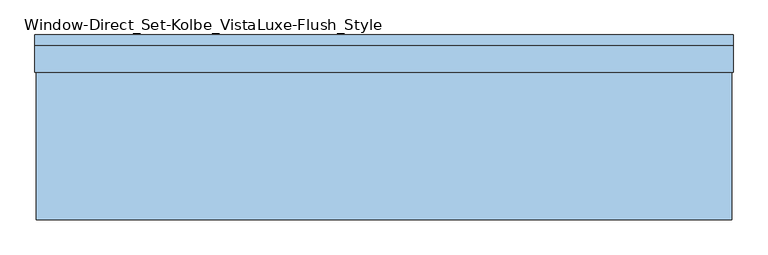
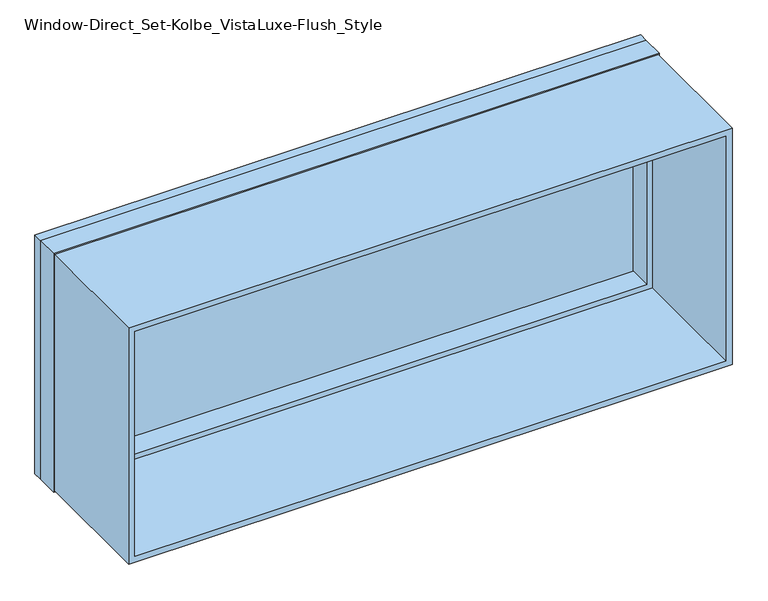
"""IFC4 building model written with IfcOpenShell, lengths in millimetres: window geometry, Window-Direct_Set-Kolbe_VistaLuxe-Flush_Style."""

from ifc_helpers import new_model, si_unit, frame, origin, place, context, project, spatial, polyline, outline, extrude, faceted_brep, source, transform, mapped, element, save


def window_direct_set_kolbe_vistaluxe_flush_style_a1974e63(model_context):
    return source(origin(), model_context, "Body", "SolidModel", [
        extrude(outline(polyline([(1673.225, -917.4003758), (917.575, -917.4003758), (917.575, 905.0496242), (1673.225, 905.0496242), (1673.225, -917.4003758)]), holes=[polyline([(936.625, -898.3503758), (1654.175, -898.3503758), (1654.175, 885.9996242), (936.625, 885.9996242), (936.625, -898.3503758)])]), frame((0.0, -228.6, 0.0), z_axis=(0.0, 1.0, 0.0), x_axis=(0.0, 0.0, 1.0)), (0.0, 0.0, 1.0), 386.5372),
        extrude(outline(polyline([(936.625, -898.3503758), (936.625, 885.9996242), (1654.175, 885.9996242), (1654.175, -898.3503758), (936.625, -898.3503758)]), holes=[polyline([(954.0875, 868.5371242), (954.0875, -880.8878758), (1636.7125, -880.8878758), (1636.7125, 868.5371242), (954.0875, 868.5371242)])]), frame((0.0, 154.74315, 0.0), z_axis=(0.0, 1.0, 0.0), x_axis=(0.0, 0.0, 1.0)), (0.0, 0.0, 1.0), 69.8246),
        faceted_brep([(908.2246242, 255.524, 1676.4), (-920.5753758, 255.524, 1676.4), (-920.5753758, 228.6, 1676.4), (908.2246242, 228.6, 1676.4), (868.5373659, 246.79275, 1636.7127418), (-880.8881176, 246.79275, 1636.7127418), (-880.8881176, 255.524, 1636.7127418), (868.5373659, 255.524, 1636.7127418), (885.9996242, 228.6, 1654.175), (-898.3503758, 228.6, 1654.175), (-898.3503758, 246.79275, 1654.175), (885.9996242, 246.79275, 1654.175), (-920.5753758, 255.524, 914.4), (-920.5753758, 228.6, 914.4), (-880.8881176, 246.79275, 954.0872582), (-880.8881176, 255.524, 954.0872582), (-898.3503758, 228.6, 936.625), (-898.3503758, 246.79275, 936.625), (908.2246242, 255.524, 914.4), (908.2246242, 228.6, 914.4), (868.5373659, 246.79275, 954.0872582), (868.5373659, 255.524, 954.0872582), (885.9996242, 228.6, 936.625), (885.9996242, 246.79275, 936.625)], [[[0, 1, 2, 3]], [[4, 5, 6, 7]], [[8, 9, 10, 11]], [[1, 12, 13, 2]], [[5, 14, 15, 6]], [[9, 16, 17, 10]], [[12, 18, 19, 13]], [[14, 20, 21, 15]], [[16, 22, 23, 17]], [[18, 0, 3, 19]], [[1, 0, 18, 12], [7, 6, 15, 21]], [[20, 4, 7, 21]], [[11, 10, 17, 23], [5, 4, 20, 14]], [[22, 8, 11, 23]], [[3, 2, 13, 19], [9, 8, 22, 16]]]),
        extrude(outline(polyline([(914.4, -920.5753758), (914.4, 908.2246242), (1676.4, 908.2246242), (1676.4, -920.5753758), (914.4, -920.5753758)]), holes=[polyline([(936.625, 885.9996242), (936.625, -898.3503758), (1654.175, -898.3503758), (1654.175, 885.9996242), (936.625, 885.9996242)])]), frame((0.0, 157.9372, 0.0), z_axis=(0.0, 1.0, 0.0), x_axis=(0.0, 0.0, 1.0)), (0.0, 0.0, 1.0), 70.6628),
        extrude(outline(polyline([(883.6183742, 227.74275), (883.6183742, 224.56775), (-895.9691258, 224.56775), (-895.9691258, 227.74275), (883.6183742, 227.74275)])), frame((0.0, 0.0, 946.15), z_axis=(0.0, 0.0, 1.0), x_axis=(1.0, 0.0, 0.0)), (0.0, 0.0, 1.0), 698.5),
        extrude(outline(polyline([(883.6183742, 243.61775), (-895.9691258, 243.61775), (-895.9691258, 246.79275), (883.6183742, 246.79275), (883.6183742, 243.61775)])), frame((0.0, 0.0, 946.15), z_axis=(0.0, 0.0, 1.0), x_axis=(1.0, 0.0, 0.0)), (0.0, 0.0, 1.0), 698.5),
    ])


if __name__ == "__main__":
    model = new_model("IFC4")
    model_context = context("Model", 3, world=origin())
    ifc_project = project(units=[si_unit("LENGTHUNIT", "METRE", prefix="MILLI")], contexts=[model_context])
    site = spatial("IfcSite", under=ifc_project)
    building = spatial("IfcBuilding", under=site)
    placement = place(None, origin())
    window_direct_set_kolbe_vistaluxe_flush_style_shape = window_direct_set_kolbe_vistaluxe_flush_style_a1974e63(model_context)
    element("IfcWindow", 1, ObjectType="Window-Direct_Set-Kolbe_VistaLuxe-Flush_Style", at=placement, inside=building, context=model_context, shape_type="MappedRepresentation", body=[
        mapped(window_direct_set_kolbe_vistaluxe_flush_style_shape, transform((0.0, 0.0, 0.0), x_axis=(1.0, 0.0, 0.0), y_axis=(0.0, 1.0, 0.0), z_axis=(0.0, 0.0, 1.0))),
    ])
    save(model, "model.ifc")
